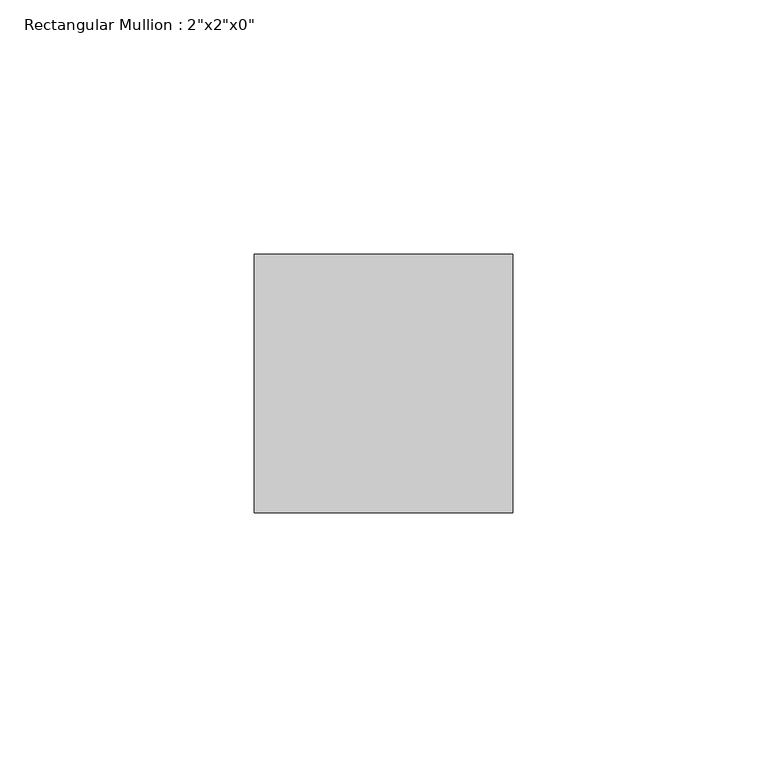
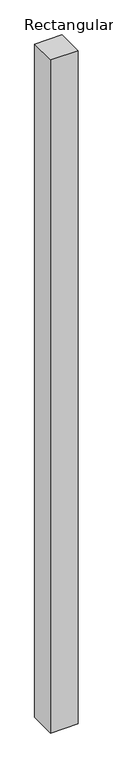
"""IFC4 building model written with IfcOpenShell, lengths in millimetres: member geometry."""

from ifc_helpers import new_model, si_unit, frame, origin, place, context, project, spatial, polyline, outline, extrude, source, transform, mapped, element, save


def member_566aedb8(model_context):
    return source(origin(), model_context, "Body", "SweptSolid", [
        extrude(outline(polyline([(25.4, 25.4), (25.4, -25.4), (-25.4, -25.4), (-25.4, 25.4), (25.4, 25.4)])), frame((0.0, 0.0, -1315.7025574), z_axis=(0.0, 0.0, 1.0), x_axis=(1.0, 0.0, 0.0)), (0.0, 0.0, 1.0), 1315.7025574),
    ])


if __name__ == "__main__":
    model = new_model("IFC4")
    model_context = context("Model", 3, world=origin())
    ifc_project = project(units=[si_unit("LENGTHUNIT", "METRE", prefix="MILLI")], contexts=[model_context])
    site = spatial("IfcSite", under=ifc_project)
    building = spatial("IfcBuilding", under=site)
    placement = place(None, origin())
    member_shape = member_566aedb8(model_context)
    element("IfcMember", 1, ObjectType="Rectangular Mullion : 2\"x2\"x0\"", at=placement, inside=building, context=model_context, shape_type="MappedRepresentation", body=[
        mapped(member_shape, transform((0.0, 0.0, 0.0), x_axis=(1.0, 0.0, 0.0), y_axis=(0.0, 1.0, 0.0), z_axis=(0.0, 0.0, 1.0))),
    ])
    save(model, "model.ifc")
